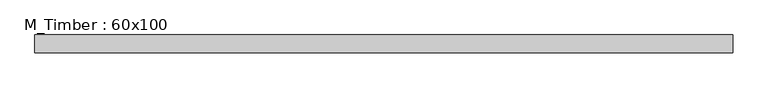
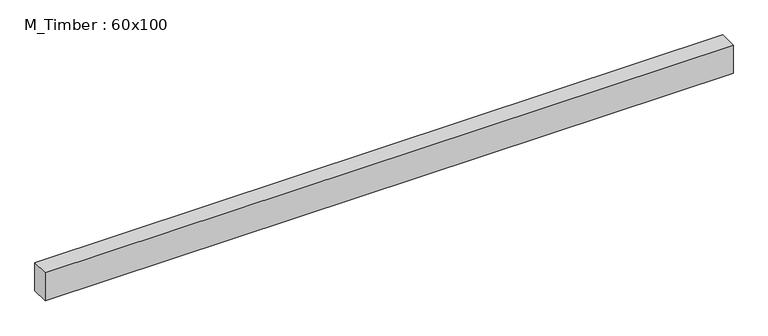
"""IFC4 building model written with IfcOpenShell, lengths in millimetres: beam geometry, M_Timber : 60x100."""

import ifcopenshell
import ifcopenshell.guid

model = None  # the IFC model being written
_history = None  # IfcOwnerHistory: only IFC2X3 demands one
_inside = {}  # id of a spatial element -> (the spatial element, [elements in it])
_under = {}  # id of a project, library or spatial element -> (it, [spatial elements below it])
_declared = {}  # id of a project -> (the project, [libraries it declares])
_typed = {}  # id of a type object -> (the type object, [elements of that type])
_made_of = {}  # id of a material, layer set ... -> (it, [elements and type objects made of it])


def new_model(schema):
    """Start an empty IFC model of exactly this schema.

    Asked for "IFC4X3", IfcOpenShell would pick the latest addendum, in which some entities
    have other attributes; the version numbers below select the first issue.
    IFC2X3 requires an IfcOwnerHistory on every rooted entity: one is made here for all.
    """
    global model, _history
    if schema == "IFC4X3":
        model = ifcopenshell.file(schema_version=(4, 3, 0, 0))
    else:
        model = ifcopenshell.file(schema=schema)
    _inside.clear()
    _under.clear()
    _declared.clear()
    _typed.clear()
    _made_of.clear()
    _history = None
    if model.schema == "IFC2X3":
        org = make("IfcOrganization", Name="unknown")
        user = make(
            "IfcPersonAndOrganization",
            ThePerson=make("IfcPerson", FamilyName="unknown"),
            TheOrganization=org,
        )
        app = make(
            "IfcApplication",
            ApplicationDeveloper=org,
            Version="unknown",
            ApplicationFullName="unknown",
            ApplicationIdentifier="unknown",
        )
        _history = make(
            "IfcOwnerHistory",
            OwningUser=user,
            OwningApplication=app,
            ChangeAction="ADDED",
            CreationDate=0,
        )
    return model


def make(cls, **values):
    """One entity of the class cls with the attributes given. An attribute that is None is left unset."""
    return model.create_entity(
        cls, **{name: value for name, value in values.items() if value is not None}
    )


def rooted(cls, **values):
    """An entity with a GlobalId (a new one), such as an element, a storey or a relation."""
    return make(cls, GlobalId=ifcopenshell.guid.new(), OwnerHistory=_history, **values)


def si_unit(unit_type, name, prefix=None):
    """IfcSIUnit, for example si_unit("LENGTHUNIT", "METRE", prefix="MILLI")."""
    return make("IfcSIUnit", UnitType=unit_type, Prefix=prefix, Name=name)


def assignment(units):
    """IfcUnitAssignment: the units of a project."""
    return None if units is None else make("IfcUnitAssignment", Units=units)


def point(xyz):
    """IfcCartesianPoint."""
    return None if xyz is None else make("IfcCartesianPoint", Coordinates=xyz)


def direction(xyz):
    """IfcDirection."""
    return None if xyz is None else make("IfcDirection", DirectionRatios=xyz)


def frame(location, z_axis=None, x_axis=None):
    """IfcAxis2Placement3D, a coordinate frame: its origin and axes. An axis left out is left unset."""
    return make(
        "IfcAxis2Placement3D",
        Location=point(location),
        Axis=direction(z_axis),
        RefDirection=direction(x_axis),
    )


def origin():
    """The frame at (0, 0, 0) with its axes left unset."""
    return frame((0.0, 0.0, 0.0))


def place(relative_to, where):
    """IfcLocalPlacement: puts the frame where relative to a parent placement (None: the world)."""
    return make(
        "IfcLocalPlacement", PlacementRelTo=relative_to, RelativePlacement=where
    )


def context(
    kind, dimensions, precision=None, world=None, true_north=None, identifier=None
):
    """IfcGeometricRepresentationContext, for example the 3D "Model" context."""
    return make(
        "IfcGeometricRepresentationContext",
        ContextIdentifier=identifier,
        ContextType=kind,
        CoordinateSpaceDimension=dimensions,
        Precision=precision,
        WorldCoordinateSystem=world,
        TrueNorth=true_north,
    )


def project(units=None, contexts=None):
    """IfcProject with its units and contexts."""
    return rooted(
        "IfcProject",
        Name="project",
        RepresentationContexts=contexts,
        UnitsInContext=assignment(units),
    )


def spatial(cls, under=None, at=None, **own):
    """A site, building, storey or space (cls), placed at a placement, below another one or the project."""
    s = rooted(cls, ObjectPlacement=at, **own)
    if under is not None:
        _under.setdefault(under.id(), (under, []))[1].append(s)
    return s


def polyline(points):
    """IfcPolyline through the points."""
    return make("IfcPolyline", Points=[point(p) for p in points])


def outline(outer, holes=None, kind="AREA"):
    """IfcArbitraryClosedProfileDef: a profile drawn as a closed curve; with holes, ...WithVoids."""
    if holes is None:
        return make("IfcArbitraryClosedProfileDef", ProfileType=kind, OuterCurve=outer)
    return make(
        "IfcArbitraryProfileDefWithVoids",
        ProfileType=kind,
        OuterCurve=outer,
        InnerCurves=holes,
    )


def extrude(swept, where, along, depth):
    """IfcExtrudedAreaSolid: the profile swept, set in the frame where, extruded along a direction by depth."""
    return make(
        "IfcExtrudedAreaSolid",
        SweptArea=swept,
        Position=where,
        ExtrudedDirection=direction(along),
        Depth=depth,
    )


def shape(context_of_items, identifier, shape_type, items):
    """IfcShapeRepresentation: the items that make up one representation, for example the "Body"."""
    return make(
        "IfcShapeRepresentation",
        ContextOfItems=context_of_items,
        RepresentationIdentifier=identifier,
        RepresentationType=shape_type,
        Items=items,
    )


def source(mapping_origin, context_of_items, identifier, shape_type, items):
    """IfcRepresentationMap: a shape defined once, which mapped items show again and again."""
    return make(
        "IfcRepresentationMap",
        MappingOrigin=mapping_origin,
        MappedRepresentation=shape(context_of_items, identifier, shape_type, items),
    )


def transform(
    local_origin,
    x_axis=None,
    y_axis=None,
    z_axis=None,
    scale=None,
    scale2=None,
    scale3=None,
    uniform=True,
):
    """IfcCartesianTransformationOperator3D, or its non-uniform kind. x_axis, y_axis, z_axis: its Axis1, 2, 3."""
    if uniform:
        return make(
            "IfcCartesianTransformationOperator3D",
            Axis1=direction(x_axis),
            Axis2=direction(y_axis),
            LocalOrigin=point(local_origin),
            Scale=scale,
            Axis3=direction(z_axis),
        )
    return make(
        "IfcCartesianTransformationOperator3DnonUniform",
        Axis1=direction(x_axis),
        Axis2=direction(y_axis),
        LocalOrigin=point(local_origin),
        Scale=scale,
        Axis3=direction(z_axis),
        Scale2=scale2,
        Scale3=scale3,
    )


def mapped(mapping_source, mapping_target):
    """IfcMappedItem: shows the shape of a source again, moved by a transform."""
    return make(
        "IfcMappedItem", MappingSource=mapping_source, MappingTarget=mapping_target
    )


def made_of(thing, what):
    """Note that an element or type object is made of a material, layer set ...; save() writes the relation."""
    if what is not None:
        _made_of.setdefault(what.id(), (what, []))[1].append(thing)
    return thing


def element(
    cls,
    number,
    at=None,
    inside=None,
    cuts=None,
    type_object=None,
    material=None,
    context=None,
    identifier="Body",
    shape_type=None,
    held_by="IfcProductDefinitionShape",
    body=None,
    shapes=None,
    **own,
):
    """One element of the class cls, such as IfcWall. Its Tag is "e" and its number.

    at: its placement. inside: the storey or other place that contains it. cuts: it is an
    opening in that element (IfcRelVoidsElement). A single representation is given by context,
    identifier, shape_type and body (its items); several are given by shapes. held_by: the class
    of the entity that holds the representations. save() writes the other relations.
    """
    e = rooted(cls, Tag="e%d" % number, ObjectPlacement=at, **own)
    if body is not None:
        shapes = [shape(context, identifier, shape_type, body)]
    if shapes is not None:
        e.Representation = make(held_by, Representations=shapes)
    if inside is not None:
        _inside.setdefault(inside.id(), (inside, []))[1].append(e)
    if cuts is not None:
        rooted(
            "IfcRelVoidsElement", RelatingBuildingElement=cuts, RelatedOpeningElement=e
        )
    if type_object is not None:
        _typed.setdefault(type_object.id(), (type_object, []))[1].append(e)
    return made_of(e, material)


def aggregate(whole, parts):
    """IfcRelAggregates: a whole, such as a stair, and the parts it consists of."""
    return rooted("IfcRelAggregates", RelatingObject=whole, RelatedObjects=parts)


def save(model, path):
    """Write the relations noted so far, then the file.

    IfcRelAggregates (storeys below a building ...), IfcRelContainedInSpatialStructure (elements
    in a storey), IfcRelDefinesByType, IfcRelAssociatesMaterial and IfcRelDeclares: one each for
    every whole, place, type object, material and project.
    """
    for whole, parts in _under.values():
        aggregate(whole, parts)
    for where, things in _inside.values():
        rooted(
            "IfcRelContainedInSpatialStructure",
            RelatedElements=things,
            RelatingStructure=where,
        )
    for kind, things in _typed.values():
        rooted("IfcRelDefinesByType", RelatedObjects=things, RelatingType=kind)
    for what, things in _made_of.values():
        rooted("IfcRelAssociatesMaterial", RelatedObjects=things, RelatingMaterial=what)
    for by, libraries in _declared.values():
        rooted("IfcRelDeclares", RelatingContext=by, RelatedDefinitions=libraries)
    model.write(path)


def m_timber_60x100_bfef8525(model_context):
    return source(origin(), model_context, "Body", "SweptSolid", [
        extrude(outline(polyline([(1063.6324852, 30.0), (1063.6324852, -30.0), (-1256.9671654, -30.0), (-1256.9671654, 30.0), (1063.6324852, 30.0)])), frame((0.0, 0.0, -50.0), z_axis=(0.0, 0.0, 1.0), x_axis=(1.0, 0.0, 0.0)), (0.0, 0.0, 1.0), 100.0),
    ])


if __name__ == "__main__":
    model = new_model("IFC4")
    model_context = context("Model", 3, world=origin())
    ifc_project = project(units=[si_unit("LENGTHUNIT", "METRE", prefix="MILLI")], contexts=[model_context])
    site = spatial("IfcSite", under=ifc_project)
    building = spatial("IfcBuilding", under=site)
    placement = place(None, origin())
    m_timber_60x100_shape = m_timber_60x100_bfef8525(model_context)
    element("IfcBeam", 1, ObjectType="M_Timber : 60x100", at=placement, inside=building, context=model_context, shape_type="MappedRepresentation", body=[
        mapped(m_timber_60x100_shape, transform((0.0, 0.0, 0.0), x_axis=(1.0, 0.0, 0.0), y_axis=(0.0, 1.0, 0.0), z_axis=(0.0, 0.0, 1.0))),
    ])
    save(model, "model.ifc")
